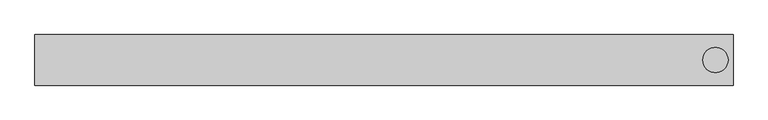
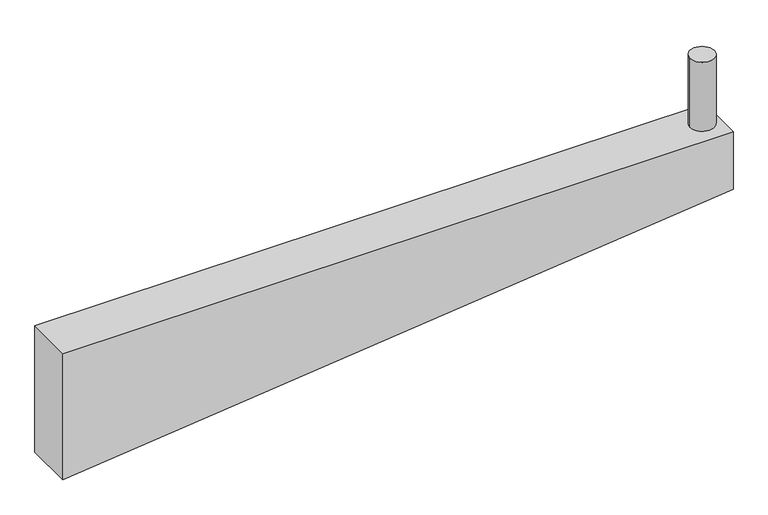
"""IFC4 building model written with IfcOpenShell, lengths in millimetres: beam geometry."""

from ifc_helpers import new_model, si_unit, point, frame, frame_2d, origin, origin_with_axes, place, context, project, spatial, polyline, circle_curve, trimmed, segment, composite_curve, outline, extrude, source, transform, mapped, element, save


def beam_dc1e0b81(model_context):
    return source(origin(), model_context, "Body", "SweptSolid", [
        extrude(outline(composite_curve([segment(trimmed(circle_curve(frame_2d((1310.0, 0.0)), 50.0), [point((1260.0, 0.0))], [point((1360.0, 0.0))], False, "CARTESIAN"), True, "CONTINUOUS"), segment(trimmed(circle_curve(frame_2d((1310.0, 0.0)), 50.0), [point((1360.0, 0.0))], [point((1260.0, 0.0))], False, "CARTESIAN"), True, "CONTINUOUS")], self_intersect=False)), origin_with_axes(), (0.0, 0.0, 1.0), 300.0),
        extrude(outline(polyline([(-250.0, 1380.0), (0.0, 1380.0), (0.0, -1380.0), (-550.0, -1380.0), (-250.0, 1380.0)])), frame((0.0, -100.0, 0.0), z_axis=(0.0, 1.0, 0.0), x_axis=(0.0, 0.0, 1.0)), (0.0, 0.0, 1.0), 200.0),
    ])


if __name__ == "__main__":
    model = new_model("IFC4")
    model_context = context("Model", 3, world=origin())
    ifc_project = project(units=[si_unit("LENGTHUNIT", "METRE", prefix="MILLI")], contexts=[model_context])
    site = spatial("IfcSite", under=ifc_project)
    building = spatial("IfcBuilding", under=site)
    placement = place(None, origin())
    beam_shape = beam_dc1e0b81(model_context)
    element("IfcBeam", 1, at=placement, inside=building, context=model_context, shape_type="MappedRepresentation", body=[
        mapped(beam_shape, transform((0.0, 0.0, 0.0), x_axis=(1.0, 0.0, 0.0), y_axis=(0.0, 1.0, 0.0), z_axis=(0.0, 0.0, 1.0))),
    ])
    save(model, "model.ifc")
